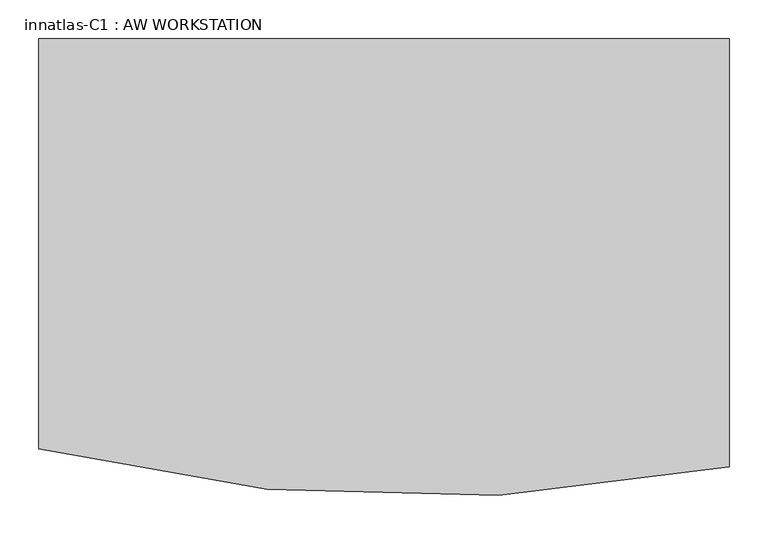
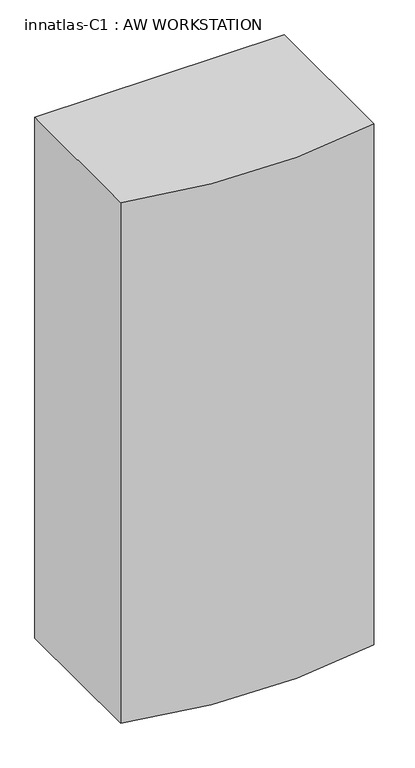
"""IFC4 building model written with IfcOpenShell, lengths in millimetres: proxy geometry, innatlas-C1 : AW WORKSTATION."""

from ifc_helpers import new_model, si_unit, point, frame_2d, origin, origin_with_axes, place, context, project, spatial, polyline, circle_curve, trimmed, segment, composite_curve, outline, extrude, source, transform, mapped, element, save


def innatlas_c1_aw_workstation_b593af06(model_context):
    return source(origin(), model_context, "Body", "SweptSolid", [
        extrude(outline(composite_curve([segment(trimmed(circle_curve(frame_2d((579.713497, 1863.6030248)), 1977.3567172), [point((972.5434384, -74.3402727))], [point((86.7419319, -51.3169796))], False, "CARTESIAN"), True, "CONTINUOUS"), segment(polyline([(86.7419319, -51.3169796), (86.7419319, 475.2411554), (972.5434384, 475.2411554), (972.5434384, -74.3402727)]), True, "CONTINUOUS")], self_intersect=False)), origin_with_axes(), (0.0, 0.0, 1.0), 1955.8),
    ])


if __name__ == "__main__":
    model = new_model("IFC4")
    model_context = context("Model", 3, world=origin())
    ifc_project = project(units=[si_unit("LENGTHUNIT", "METRE", prefix="MILLI")], contexts=[model_context])
    site = spatial("IfcSite", under=ifc_project)
    building = spatial("IfcBuilding", under=site)
    placement = place(None, origin())
    innatlas_c1_aw_workstation_shape = innatlas_c1_aw_workstation_b593af06(model_context)
    element("IfcBuildingElementProxy", 1, Name="innatlas-C1 : AW WORKSTATION", ObjectType="innatlas-C1 : AW WORKSTATION", at=placement, inside=building, context=model_context, shape_type="MappedRepresentation", body=[
        mapped(innatlas_c1_aw_workstation_shape, transform((0.0, 0.0, 0.0), x_axis=(1.0, 0.0, 0.0), y_axis=(0.0, 1.0, 0.0), z_axis=(0.0, 0.0, 1.0))),
    ])
    save(model, "model.ifc")
